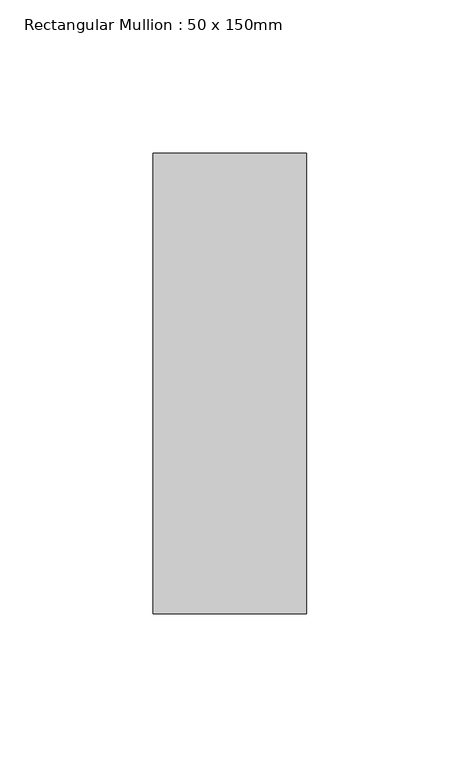
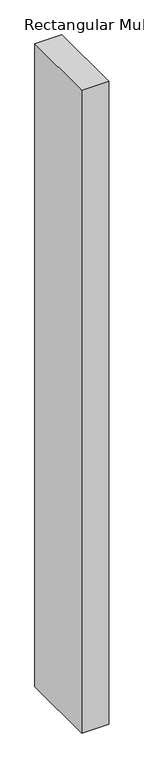
"""IFC4 building model written with IfcOpenShell, lengths in millimetres: member geometry, Rectangular Mullion : 50 x 150mm."""

from ifc_helpers import new_model, si_unit, frame, origin, place, context, project, spatial, polyline, outline, extrude, source, transform, mapped, element, save


def rectangular_mullion_50_x_150mm_da38e487(model_context):
    return source(origin(), model_context, "Body", "SweptSolid", [
        extrude(outline(polyline([(0.0, 75.0), (0.0, -75.0), (-50.0, -75.0), (-50.0, 75.0), (0.0, 75.0)])), frame((0.0, 0.0, -1257.5362651), z_axis=(0.0, 0.0, 1.0), x_axis=(1.0, 0.0, 0.0)), (0.0, 0.0, 1.0), 1257.5362651),
    ])


if __name__ == "__main__":
    model = new_model("IFC4")
    model_context = context("Model", 3, world=origin())
    ifc_project = project(units=[si_unit("LENGTHUNIT", "METRE", prefix="MILLI")], contexts=[model_context])
    site = spatial("IfcSite", under=ifc_project)
    building = spatial("IfcBuilding", under=site)
    placement = place(None, origin())
    rectangular_mullion_50_x_150mm_shape = rectangular_mullion_50_x_150mm_da38e487(model_context)
    element("IfcMember", 1, ObjectType="Rectangular Mullion : 50 x 150mm", at=placement, inside=building, context=model_context, shape_type="MappedRepresentation", body=[
        mapped(rectangular_mullion_50_x_150mm_shape, transform((0.0, 0.0, 0.0), x_axis=(1.0, 0.0, 0.0), y_axis=(0.0, 1.0, 0.0), z_axis=(0.0, 0.0, 1.0))),
    ])
    save(model, "model.ifc")
